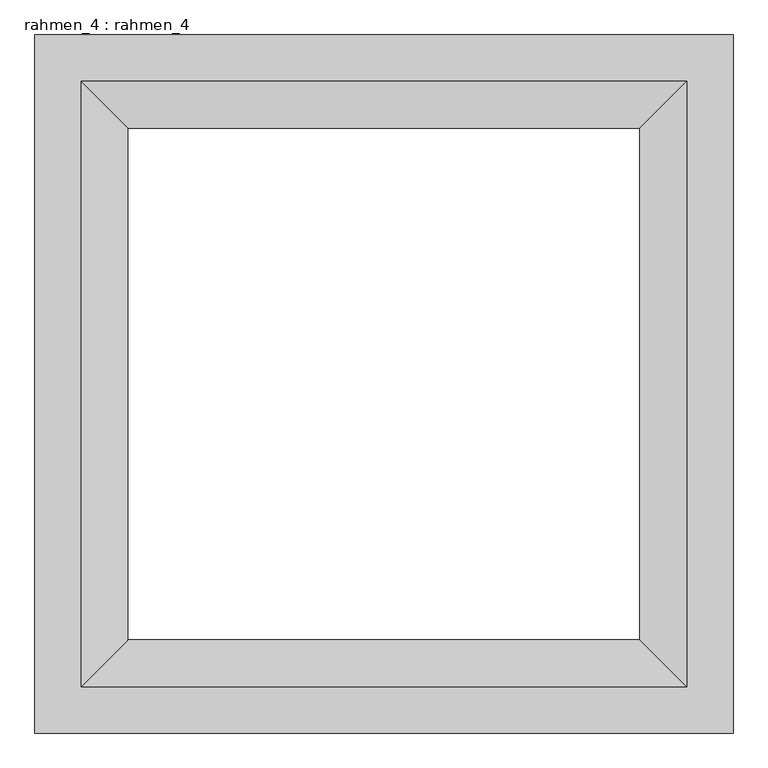
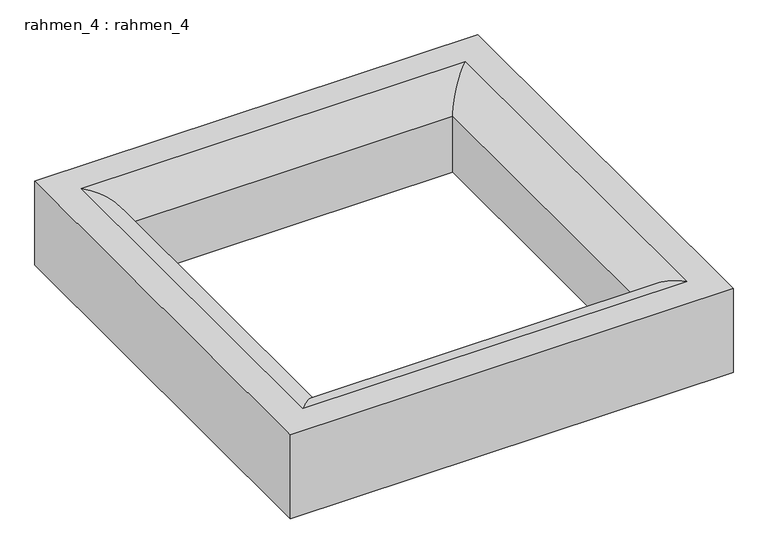
"""IFC4 building model written with IfcOpenShell, lengths in millimetres: proxy geometry, rahmen_4 : rahmen_4."""

from ifc_helpers import new_model, si_unit, frame, origin, place, context, project, spatial, ellipse_curve, source, transform, mapped, element, save
from ifc_brep_helpers import plane_surface, cylinder_surface, advanced_brep


def rahmen_4_rahmen_4_4479818c(model_context):
    return source(origin(), model_context, "Body", "AdvancedBrep", [
        advanced_brep(
        [(13367.7858706, 1000.0, 300.0), (13367.7858706, 1000.0, 0.0), (13367.7858706, 2500.0, 0.0), (13367.7858706, 2500.0, 300.0), (13167.7858706, 1200.0, 200.0), (13267.7858706, 1100.0, 300.0), (13267.7858706, 2400.0, 300.0), (13167.7858706, 2300.0, 200.0), (13167.7858706, 1200.0, 0.0), (13167.7858706, 2300.0, 0.0), (11867.7858706, 2500.0, 0.0), (11867.7858706, 2500.0, 300.0), (11967.7858706, 2400.0, 300.0), (12067.7858706, 2300.0, 200.0), (12067.7858706, 2300.0, 0.0), (11867.7858706, 1000.0, 0.0), (11867.7858706, 1000.0, 300.0), (11967.7858706, 1100.0, 300.0), (12067.7858706, 1200.0, 200.0), (12067.7858706, 1200.0, 0.0)],
        [
            (0, 1),
            (1, 2),
            (2, 3),
            (3, 0),
            (4, 5, ellipse_curve(frame((13267.7858706, 1100.0, 200.0), z_axis=(0.7071067811865475, 0.7071067811865475, 0.0), x_axis=(0.7071067811865474, -0.7071067811865476, 0.0)), 141.4213562, 100.0)),
            (5, 6),
            (6, 7, ellipse_curve(frame((13267.7858706, 2400.0, 200.0), z_axis=(0.7071067811865475, -0.7071067811865475, 0.0), x_axis=(-0.7071067811865474, -0.7071067811865476, 0.0)), 141.4213562, 100.0)),
            (7, 4),
            (8, 4),
            (7, 9),
            (9, 8),
            (2, 10),
            (10, 11),
            (11, 3),
            (6, 12),
            (12, 13, ellipse_curve(frame((11967.7858706, 2400.0, 200.0), z_axis=(0.7071067811865475, 0.7071067811865475, 0.0), x_axis=(0.7071067811865476, -0.7071067811865474, 0.0)), 141.4213562, 100.0)),
            (13, 7),
            (13, 14),
            (14, 9),
            (10, 15),
            (15, 16),
            (16, 11),
            (12, 17),
            (17, 18, ellipse_curve(frame((11967.7858706, 1100.0, 200.0), z_axis=(-0.7071067811865475, 0.7071067811865475, 0.0), x_axis=(0.7071067811865474, 0.7071067811865476, 0.0)), 141.4213562, 100.0)),
            (18, 13),
            (18, 19),
            (19, 14),
            (1, 15),
            (19, 8),
            (0, 16),
            (5, 17),
            (4, 18),
        ],
        [
            plane_surface(frame((13367.7858706, 1000.0, 0.0), z_axis=(1.0, 0.0, 0.0), x_axis=(0.0, 1.0, 0.0))),
            cylinder_surface(frame((13267.7858706, 1000.0, 200.0), z_axis=(0.0, -1.0, 0.0), x_axis=(-1.0, 0.0, 0.0)), 100.0),
            plane_surface(frame((13167.7858706, 1200.0, 200.0), z_axis=(-1.0, 0.0, 0.0), x_axis=(0.0, 1.0, 0.0))),
            plane_surface(frame((13367.7858706, 2500.0, 0.0), z_axis=(0.0, 1.0, 0.0), x_axis=(-1.0, 0.0, 0.0))),
            cylinder_surface(frame((13367.7858706, 2400.0, 200.0), z_axis=(1.0, 0.0, 0.0), x_axis=(0.0, -1.0, 0.0)), 100.0),
            plane_surface(frame((13167.7858706, 2300.0, 200.0), z_axis=(0.0, -1.0, 0.0), x_axis=(-1.0, 0.0, 0.0))),
            plane_surface(frame((11867.7858706, 2500.0, 0.0), z_axis=(-1.0, 0.0, 0.0), x_axis=(0.0, -1.0, 0.0))),
            cylinder_surface(frame((11967.7858706, 2500.0, 200.0), z_axis=(0.0, 1.0, 0.0), x_axis=(1.0, 0.0, 0.0)), 100.0),
            plane_surface(frame((12067.7858706, 2300.0, 200.0), z_axis=(1.0, 0.0, 0.0), x_axis=(0.0, -1.0, 0.0))),
            plane_surface(frame((12067.7858706, 1200.0, 0.0), z_axis=(0.0, 0.0, -1.0), x_axis=(1.0, 0.0, 0.0))),
            plane_surface(frame((11867.7858706, 1000.0, 0.0), z_axis=(0.0, -1.0, 0.0), x_axis=(1.0, 0.0, 0.0))),
            plane_surface(frame((11867.7858706, 1000.0, 300.0), z_axis=(0.0, 0.0, 1.0), x_axis=(1.0, 0.0, 0.0))),
            cylinder_surface(frame((11867.7858706, 1100.0, 200.0), z_axis=(-1.0, 0.0, 0.0), x_axis=(0.0, 1.0, 0.0)), 100.0),
            plane_surface(frame((12067.7858706, 1200.0, 200.0), z_axis=(0.0, 1.0, 0.0), x_axis=(1.0, 0.0, 0.0))),
        ],
        [
            (0, [[1, 2, 3, 4]]),
            (1, [[5, 6, 7, 8]]),
            (2, [[9, -8, 10, 11]]),
            (3, [[-3, 12, 13, 14]]),
            (4, [[-7, 15, 16, 17]]),
            (5, [[-10, -17, 18, 19]]),
            (6, [[-13, 20, 21, 22]]),
            (7, [[-16, 23, 24, 25]]),
            (8, [[-18, -25, 26, 27]]),
            (9, [[28, -20, -12, -2], [-19, -27, 29, -11]]),
            (10, [[-21, -28, -1, 30]]),
            (11, [[-14, -22, -30, -4], [31, -23, -15, -6]]),
            (12, [[-24, -31, -5, 32]]),
            (13, [[-26, -32, -9, -29]]),
        ],
    ),
    ])


if __name__ == "__main__":
    model = new_model("IFC4")
    model_context = context("Model", 3, world=origin())
    ifc_project = project(units=[si_unit("LENGTHUNIT", "METRE", prefix="MILLI")], contexts=[model_context])
    site = spatial("IfcSite", under=ifc_project)
    building = spatial("IfcBuilding", under=site)
    placement = place(None, origin())
    rahmen_4_rahmen_4_shape = rahmen_4_rahmen_4_4479818c(model_context)
    element("IfcBuildingElementProxy", 1, Name="rahmen_4 : rahmen_4", ObjectType="rahmen_4 : rahmen_4", at=placement, inside=building, context=model_context, shape_type="MappedRepresentation", body=[
        mapped(rahmen_4_rahmen_4_shape, transform((0.0, 0.0, 0.0), x_axis=(1.0, 0.0, 0.0), y_axis=(0.0, 1.0, 0.0), z_axis=(0.0, 0.0, 1.0))),
    ])
    save(model, "model.ifc")
